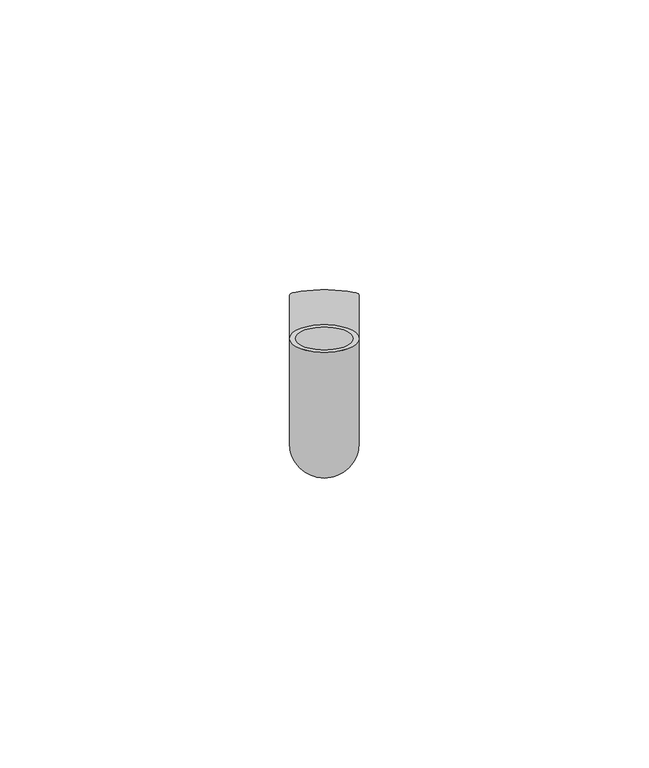
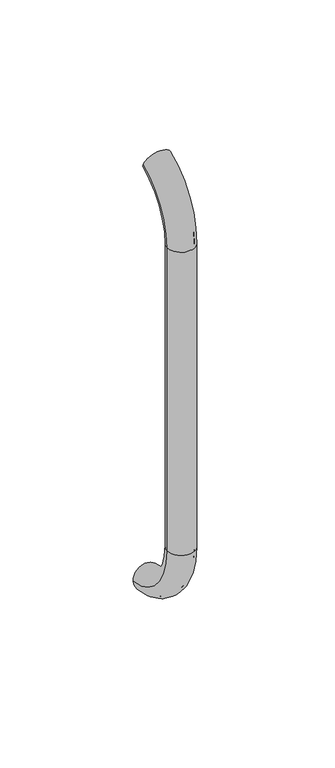
"""IFC4 building model written with IfcOpenShell, lengths in millimetres: beam geometry."""

from ifc_helpers import new_model, si_unit, point, frame, origin, place, context, project, spatial, polyline, circle_curve, ellipse_curve, trimmed, source, transform, mapped, element, save
from ifc_brep_helpers import plane_surface, cylinder_surface, revolved_surface, advanced_brep


def beam_2f254b95(model_context):
    return source(origin(), model_context, "Body", "AdvancedBrep", [
        advanced_brep(
        [(3311.4386176, 2444.0395554, 1993.7787656), (3323.4386176, 2444.0395554, 1993.7787656), (3312.4386176, 2444.0395554, 1993.7787656), (3322.4386176, 2444.0395554, 1993.7787656), (3322.4386176, 2425.9629385, 1966.25), (3312.4386176, 2425.9629385, 1966.25), (3323.4386176, 2425.9629385, 1966.25), (3311.4386176, 2425.9629385, 1966.25), (3312.4386176, 2425.9629385, 1826.25), (3322.4386176, 2425.9629385, 1826.25), (3311.4386176, 2425.9629385, 1826.25), (3323.4386176, 2425.9629385, 1826.25), (3311.4386176, 2451.5825147, 1796.5715249), (3323.4386176, 2451.5825147, 1796.5715249), (3312.4386176, 2451.5825147, 1796.5715249), (3322.4386176, 2451.5825147, 1796.5715249)],
        [
            (0, 1, circle_curve(frame((3317.4386176, 2444.0395554, 1993.7787656), z_axis=(0.0, 0.9176255197351176, 0.3974461039321624), x_axis=(1.0, 0.0, 0.0)), 6.0)),
            (1, 0, circle_curve(frame((3317.4386176, 2444.0395554, 1993.7787656), z_axis=(0.0, 0.9176255197351176, 0.3974461039321624), x_axis=(1.0, 0.0, 0.0)), 6.0)),
            (2, 3, circle_curve(frame((3317.4386176, 2444.0395554, 1993.7787656), z_axis=(0.0, -0.9176255197351176, -0.3974461039321624), x_axis=(1.0, 0.0, 0.0)), 5.0)),
            (3, 2, circle_curve(frame((3317.4386176, 2444.0395554, 1993.7787656), z_axis=(0.0, -0.9176255197351176, -0.3974461039321624), x_axis=(1.0, 0.0, 0.0)), 5.0)),
            (4, 3, circle_curve(frame((3322.4386176, 2455.9629385, 1966.25), z_axis=(-1.0, 0.0, 0.0), x_axis=(0.0, -0.3974461039321624, 0.9176255197351176)), 30.0)),
            (2, 5, circle_curve(frame((3312.4386176, 2455.9629385, 1966.25), z_axis=(1.0, 0.0, 0.0), x_axis=(0.0, -0.3974461039321624, 0.9176255197351176)), 30.0)),
            (5, 4, circle_curve(frame((3317.4386176, 2425.9629385, 1966.25), z_axis=(0.0, 0.0, -1.0), x_axis=(1.0, 0.0, 0.0)), 5.0)),
            (4, 5, circle_curve(frame((3317.4386176, 2425.9629385, 1966.25), z_axis=(0.0, 0.0, -1.0), x_axis=(1.0, 0.0, 0.0)), 5.0)),
            (6, 1, circle_curve(frame((3323.4386176, 2455.9629385, 1966.25), z_axis=(-1.0, 0.0, 0.0), x_axis=(0.0, -0.3974461039321624, 0.9176255197351176)), 30.0)),
            (0, 7, circle_curve(frame((3311.4386176, 2455.9629385, 1966.25), z_axis=(1.0, 0.0, 0.0), x_axis=(0.0, -0.3974461039321624, 0.9176255197351176)), 30.0)),
            (7, 6, circle_curve(frame((3317.4386176, 2425.9629385, 1966.25), z_axis=(0.0, 0.0, 1.0), x_axis=(1.0, 0.0, 0.0)), 6.0)),
            (6, 7, circle_curve(frame((3317.4386176, 2425.9629385, 1966.25), z_axis=(0.0, 0.0, 1.0), x_axis=(1.0, 0.0, 0.0)), 6.0)),
            (5, 8),
            (8, 9, circle_curve(frame((3317.4386176, 2425.9629385, 1826.25), z_axis=(0.0, 0.0, -1.0), x_axis=(1.0, 0.0, 0.0)), 5.0)),
            (9, 4),
            (9, 8, circle_curve(frame((3317.4386176, 2425.9629385, 1826.25), z_axis=(0.0, 0.0, -1.0), x_axis=(1.0, 0.0, 0.0)), 5.0)),
            (7, 10),
            (10, 11, circle_curve(frame((3317.4386176, 2425.9629385, 1826.25), z_axis=(0.0, 0.0, 1.0), x_axis=(1.0, 0.0, 0.0)), 6.0)),
            (11, 6),
            (11, 10, circle_curve(frame((3317.4386176, 2425.9629385, 1826.25), z_axis=(0.0, 0.0, 1.0), x_axis=(1.0, 0.0, 0.0)), 6.0)),
            (12, 13, circle_curve(frame((3317.4386176, 2451.5825147, 1796.5715249), z_axis=(0.0, 0.9892825047438852, -0.14601412879466394), x_axis=(1.0, 0.0, 0.0)), 6.0)),
            (13, 12, circle_curve(frame((3317.4386176, 2451.5825147, 1796.5715249), z_axis=(0.0, 0.9892825047438852, -0.14601412879466394), x_axis=(1.0, 0.0, 0.0)), 6.0)),
            (14, 15, circle_curve(frame((3317.4386176, 2451.5825147, 1796.5715249), z_axis=(0.0, -0.9892825047438852, 0.14601412879466394), x_axis=(1.0, 0.0, 0.0)), 5.0)),
            (15, 14, circle_curve(frame((3317.4386176, 2451.5825147, 1796.5715249), z_axis=(0.0, -0.9892825047438852, 0.14601412879466394), x_axis=(1.0, 0.0, 0.0)), 5.0)),
            (15, 9, circle_curve(frame((3322.4386176, 2455.9629385, 1826.25), z_axis=(-1.0, 0.0, 0.0), x_axis=(0.0, -1.0, 0.0)), 30.0)),
            (8, 14, circle_curve(frame((3312.4386176, 2455.9629385, 1826.25), z_axis=(1.0, 0.0, 0.0), x_axis=(0.0, -1.0, 0.0)), 30.0)),
            (13, 11, circle_curve(frame((3323.4386176, 2455.9629385, 1826.25), z_axis=(-1.0, 0.0, 0.0), x_axis=(0.0, -1.0, 0.0)), 30.0)),
            (10, 12, circle_curve(frame((3311.4386176, 2455.9629385, 1826.25), z_axis=(1.0, 0.0, 0.0), x_axis=(0.0, -1.0, 0.0)), 30.0)),
        ],
        [
            plane_surface(frame((3317.4386176, 2444.0395554, 1993.7787656), z_axis=(0.0, 0.9176255197351176, 0.3974461039321624), x_axis=(1.0, 0.0, 0.0))),
            revolved_surface(trimmed(ellipse_curve(frame((3317.4386176, 2444.0395554, 1993.7787656), z_axis=(0.0, -0.9176255197351176, -0.3974461039321624), x_axis=(1.0, 0.0, 0.0)), 5.0, 5.0), [point((3312.4386176, 2444.0395554, 1993.7787656))], [point((3322.4386176, 2444.0395554, 1993.7787656))], True, "CARTESIAN"), (3317.4386176, 2455.9629385, 1966.25), (1.0, 0.0, 0.0)),
            revolved_surface(trimmed(ellipse_curve(frame((3317.4386176, 2444.0395554, 1993.7787656), z_axis=(0.0, -0.9176255197351176, -0.3974461039321624), x_axis=(1.0, 0.0, 0.0)), 5.0, 5.0), [point((3322.4386176, 2444.0395554, 1993.7787656))], [point((3312.4386176, 2444.0395554, 1993.7787656))], True, "CARTESIAN"), (3317.4386176, 2455.9629385, 1966.25), (1.0, 0.0, 0.0)),
            revolved_surface(trimmed(ellipse_curve(frame((3317.4386176, 2444.0395554, 1993.7787656), z_axis=(0.0, 0.9176255197351176, 0.3974461039321624), x_axis=(1.0, 0.0, 0.0)), 6.0, 6.0), [point((3311.4386176, 2444.0395554, 1993.7787656))], [point((3323.4386176, 2444.0395554, 1993.7787656))], True, "CARTESIAN"), (3317.4386176, 2455.9629385, 1966.25), (1.0, 0.0, 0.0)),
            revolved_surface(trimmed(ellipse_curve(frame((3317.4386176, 2444.0395554, 1993.7787656), z_axis=(0.0, 0.9176255197351176, 0.3974461039321624), x_axis=(1.0, 0.0, 0.0)), 6.0, 6.0), [point((3323.4386176, 2444.0395554, 1993.7787656))], [point((3311.4386176, 2444.0395554, 1993.7787656))], True, "CARTESIAN"), (3317.4386176, 2455.9629385, 1966.25), (1.0, 0.0, 0.0)),
            revolved_surface(polyline([(3322.4386176, 2425.9629385, 1826.25), (3322.4386176, 2425.9629385, 1966.25)]), (3317.4386176, 2425.9629385, 1966.25), (0.0, 0.0, -1.0)),
            cylinder_surface(frame((3317.4386176, 2425.9629385, 1966.25), z_axis=(0.0, 0.0, 1.0), x_axis=(1.0, 0.0, 0.0)), 6.0),
            plane_surface(frame((3317.4386176, 2451.5825147, 1796.5715249), z_axis=(0.0, 0.9892825047438852, -0.14601412879466397), x_axis=(1.0, 0.0, 0.0))),
            revolved_surface(trimmed(ellipse_curve(frame((3317.4386176, 2425.9629385, 1826.25), z_axis=(0.0, 0.0, -1.0), x_axis=(1.0, 0.0, 0.0)), 5.0, 5.0), [point((3312.4386176, 2425.9629385, 1826.25))], [point((3322.4386176, 2425.9629385, 1826.25))], True, "CARTESIAN"), (3317.4386176, 2455.9629385, 1826.25), (1.0, 0.0, 0.0)),
            revolved_surface(trimmed(ellipse_curve(frame((3317.4386176, 2425.9629385, 1826.25), z_axis=(0.0, 0.0, -1.0), x_axis=(1.0, 0.0, 0.0)), 5.0, 5.0), [point((3322.4386176, 2425.9629385, 1826.25))], [point((3312.4386176, 2425.9629385, 1826.25))], True, "CARTESIAN"), (3317.4386176, 2455.9629385, 1826.25), (1.0, 0.0, 0.0)),
            revolved_surface(trimmed(ellipse_curve(frame((3317.4386176, 2425.9629385, 1826.25), z_axis=(0.0, 0.0, 1.0), x_axis=(1.0, 0.0, 0.0)), 6.0, 6.0), [point((3311.4386176, 2425.9629385, 1826.25))], [point((3323.4386176, 2425.9629385, 1826.25))], True, "CARTESIAN"), (3317.4386176, 2455.9629385, 1826.25), (1.0, 0.0, 0.0)),
            revolved_surface(trimmed(ellipse_curve(frame((3317.4386176, 2425.9629385, 1826.25), z_axis=(0.0, 0.0, 1.0), x_axis=(1.0, 0.0, 0.0)), 6.0, 6.0), [point((3323.4386176, 2425.9629385, 1826.25))], [point((3311.4386176, 2425.9629385, 1826.25))], True, "CARTESIAN"), (3317.4386176, 2455.9629385, 1826.25), (1.0, 0.0, 0.0)),
        ],
        [
            (0, [[1, 2], [3, 4]]),
            (1, [[5, -3, 6, 7]]),
            (2, [[-6, -4, -5, 8]]),
            (3, [[9, -1, 10, 11]]),
            (4, [[-10, -2, -9, 12]]),
            (5, [[-7, 13, 14, 15]]),
            (5, [[-8, -15, 16, -13]]),
            (6, [[-11, 17, 18, 19]]),
            (6, [[-12, -19, 20, -17]]),
            (7, [[21, 22], [23, 24]]),
            (8, [[25, -14, 26, -24]]),
            (9, [[-26, -16, -25, -23]]),
            (10, [[27, -18, 28, -22]]),
            (11, [[-28, -20, -27, -21]]),
        ],
    ),
    ])


if __name__ == "__main__":
    model = new_model("IFC4")
    model_context = context("Model", 3, world=origin())
    ifc_project = project(units=[si_unit("LENGTHUNIT", "METRE", prefix="MILLI")], contexts=[model_context])
    site = spatial("IfcSite", under=ifc_project)
    building = spatial("IfcBuilding", under=site)
    placement = place(None, origin())
    beam_shape = beam_2f254b95(model_context)
    element("IfcBeam", 1, at=placement, inside=building, context=model_context, shape_type="MappedRepresentation", body=[
        mapped(beam_shape, transform((0.0, 0.0, 0.0), x_axis=(1.0, 0.0, 0.0), y_axis=(0.0, 1.0, 0.0), z_axis=(0.0, 0.0, 1.0))),
    ])
    save(model, "model.ifc")
